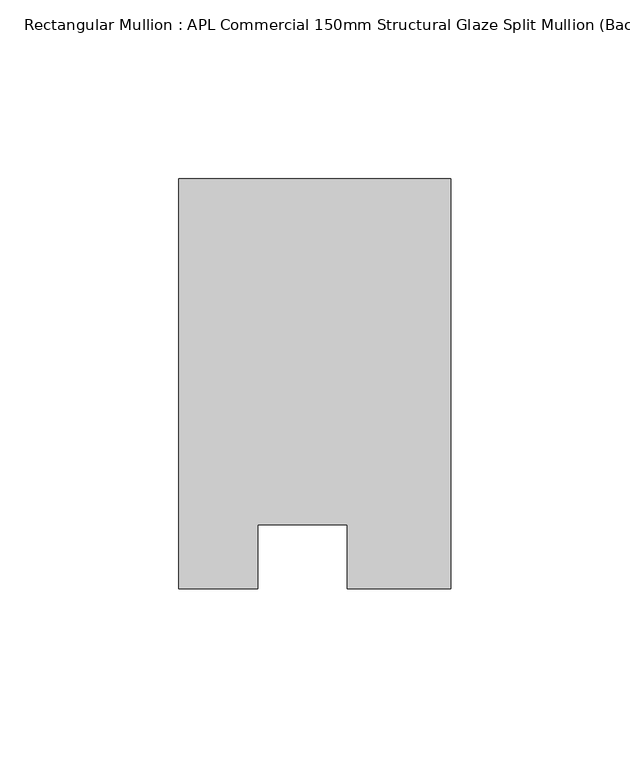
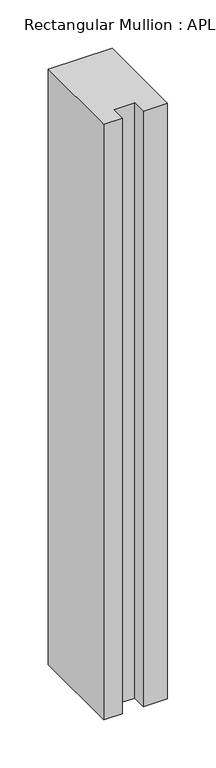
"""IFC4 building model written with IfcOpenShell, lengths in millimetres: member geometry, Rectangular Mullion : APL Commercial 150mm Structural Glaze Split Mullion (Back)."""

from ifc_helpers import new_model, si_unit, frame, origin, place, context, project, spatial, polyline, outline, extrude, source, transform, mapped, element, save


def rectangular_mullion_apl_commercial_150mm_structural_glaze_7f02a4e7(model_context):
    return source(origin(), model_context, "Body", "SweptSolid", [
        extrude(outline(polyline([(37.9999914, 129.5195626), (37.9999914, 14.9960123), (9.0, 14.9960123), (9.0, 32.7960123), (-16.0, 32.7960123), (-16.0, 14.9960123), (-37.9999896, 14.9960123), (-37.9999896, 129.5195626), (37.9999914, 129.5195626)])), frame((0.0, 0.0, -751.2021929), z_axis=(0.0, 0.0, 1.0), x_axis=(1.0, 0.0, 0.0)), (0.0, 0.0, 1.0), 751.2021929),
    ])


if __name__ == "__main__":
    model = new_model("IFC4")
    model_context = context("Model", 3, world=origin())
    ifc_project = project(units=[si_unit("LENGTHUNIT", "METRE", prefix="MILLI")], contexts=[model_context])
    site = spatial("IfcSite", under=ifc_project)
    building = spatial("IfcBuilding", under=site)
    placement = place(None, origin())
    rectangular_mullion_apl_commercial_150mm_structural_glaze_shape = rectangular_mullion_apl_commercial_150mm_structural_glaze_7f02a4e7(model_context)
    element("IfcMember", 1, ObjectType="Rectangular Mullion : APL Commercial 150mm Structural Glaze Split Mullion (Back)", at=placement, inside=building, context=model_context, shape_type="MappedRepresentation", body=[
        mapped(rectangular_mullion_apl_commercial_150mm_structural_glaze_shape, transform((0.0, 0.0, 0.0), x_axis=(1.0, 0.0, 0.0), y_axis=(0.0, 1.0, 0.0), z_axis=(0.0, 0.0, 1.0))),
    ])
    save(model, "model.ifc")
